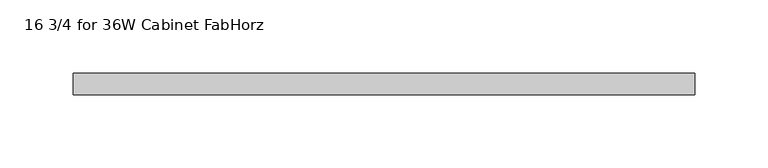
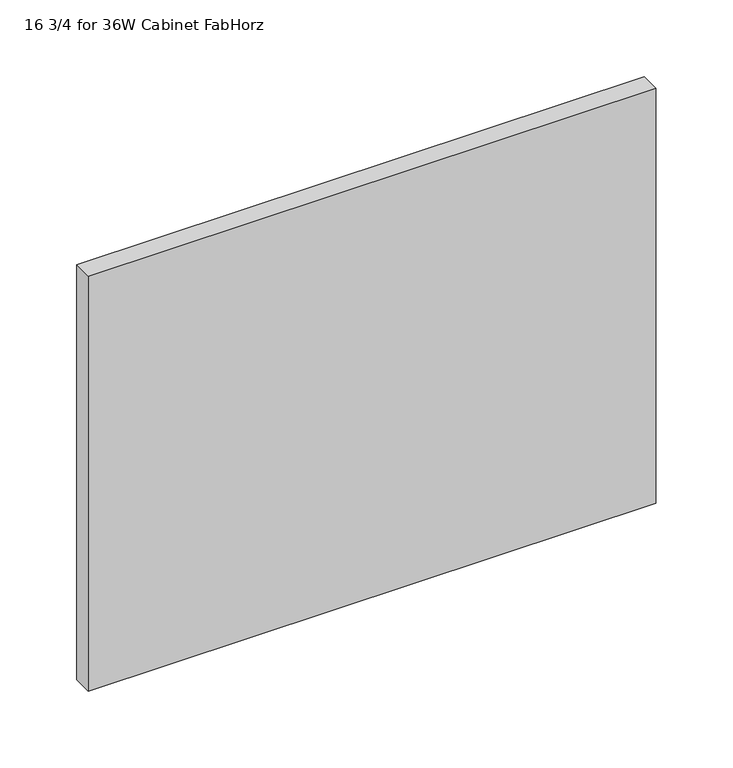
"""IFC4 building model written with IfcOpenShell, lengths in millimetres: furniture geometry, 16 3/4 for 36W Cabinet FabHorz."""

from ifc_helpers import new_model, si_unit, frame, origin, place, context, project, spatial, polyline, outline, extrude, source, transform, mapped, element, save


def furniture_16_3_4_for_36w_cabinet_fabhorz_a546e901(model_context):
    return source(origin(), model_context, "Body", "SweptSolid", [
        extrude(outline(polyline([(212.725, -33.8601849), (212.725, -48.5445599), (-212.725, -48.5445599), (-212.725, -33.8601849), (212.725, -33.8601849)])), frame((0.0, 0.0, 1181.1), z_axis=(0.0, 0.0, 1.0), x_axis=(1.0, 0.0, 0.0)), (0.0, 0.0, 1.0), 328.9101562),
    ])


if __name__ == "__main__":
    model = new_model("IFC4")
    model_context = context("Model", 3, world=origin())
    ifc_project = project(units=[si_unit("LENGTHUNIT", "METRE", prefix="MILLI")], contexts=[model_context])
    site = spatial("IfcSite", under=ifc_project)
    building = spatial("IfcBuilding", under=site)
    placement = place(None, origin())
    furniture_16_3_4_for_36w_cabinet_fabhorz_shape = furniture_16_3_4_for_36w_cabinet_fabhorz_a546e901(model_context)
    element("IfcFurniture", 1, ObjectType="16 3/4 for 36W Cabinet FabHorz", at=placement, inside=building, context=model_context, shape_type="MappedRepresentation", body=[
        mapped(furniture_16_3_4_for_36w_cabinet_fabhorz_shape, transform((0.0, 0.0, 0.0), x_axis=(1.0, 0.0, 0.0), y_axis=(0.0, 1.0, 0.0), z_axis=(0.0, 0.0, 1.0))),
    ])
    save(model, "model.ifc")
